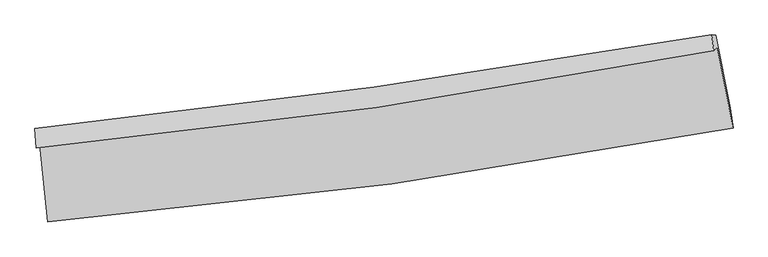
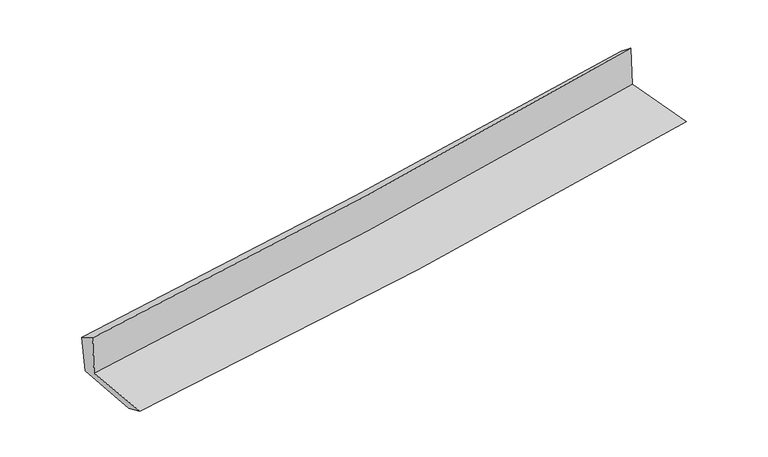
"""IFC4 building model written with IfcOpenShell, lengths in millimetres: proxy geometry."""

from ifc_helpers import new_model, si_unit, frame, origin, place, context, project, spatial, source, transform, mapped, element, save
from ifc_brep_helpers import plane_surface, spline_curve, spline_surface, advanced_brep


def generic_models_885a3708(model_context):
    return source(origin(), model_context, "Body", "AdvancedBrep", [
        advanced_brep(
        [(-3034.3144803, -1895.0423044, 1619.2518227), (-2961.5580744, -2580.7820596, 1597.3809577), (3118.5197434, -1745.0034072, 2100.6574717), (2979.4960055, -1030.023377, 2121.906967), (-3066.5755342, -1925.2493446, 2031.3241243), (2946.9468465, -1057.5082405, 2542.6453514), (-3076.5277838, -1751.6891533, 1938.3075201), (2930.4713964, -918.5887671, 2429.5565367), (-3043.9453573, -1753.9271595, 1561.5477015), (2964.681335, -920.5816754, 2053.2309819), (-2973.6507247, -2403.2573381, 1524.5191472), (3092.372014, -1571.1360385, 2020.6117246)],
        [
            (0, 1),
            (1, 2, spline_curve(3, [(-2961.5580744, -2580.7820596, 1597.3809577), (-1942.005673392, -2493.969852278, 1690.640843871), (-925.462153315, -2380.897596738, 1779.217462314), (1101.228202922, -2102.28508111, 1946.972799474), (2111.377289213, -1936.764452162, 2026.155018873), (3118.5197434, -1745.0034072, 2100.6574717)], [4, 2, 4], [0.0, 10.056591183810468, 20.10942260514983])),
            (2, 3),
            (3, 0, spline_curve(3, [(2979.4960055, -1030.023377, 2121.906967), (1983.356247298, -1220.090593254, 2048.945388381), (984.229750577, -1387.199928105, 1970.58551134), (-1020.371510277, -1675.556745989, 1803.037835473), (-2025.848508991, -1796.787053951, 1713.845997611), (-3034.3144803, -1895.0423044, 1619.2518227)], [4, 2, 4], [0.0, 10.052831421339363, 20.10942260514983])),
            (4, 0),
            (3, 5),
            (5, 4, spline_curve(3, [(2946.9468465, -1057.5082405, 2542.6453514), (1951.556995575, -1251.391155505, 2466.270200056), (952.82952238, -1420.635459527, 2385.481313886), (-1051.675440676, -1709.900927053, 2215.044207104), (-2057.455427842, -1829.903658201, 2125.392684107), (-3066.5755342, -1925.2493446, 2031.3241243)], [4, 2, 4], [0.0, 10.003001921952722, 20.00974497012633])),
            (6, 4),
            (5, 7),
            (7, 6, spline_curve(3, [(2930.4713964, -918.5887671, 2429.5565367), (1933.464125807, -1088.917093791, 2353.258599731), (934.471188469, -1243.496254247, 2274.180386997), (-1067.860386218, -1521.208165819, 2110.4327945), (-2071.20050872, -1644.329133832, 2025.761335398), (-3076.5277838, -1751.6891533, 1938.3075201)], [4, 2, 4], [0.0, 9.992043207206462, 19.987823442070663])),
            (8, 6),
            (7, 9),
            (9, 8, spline_curve(3, [(2964.681335, -920.5816754, 2053.2309819), (1967.701591303, -1090.984422093, 1973.366732921), (968.586844434, -1245.621216832, 1892.468855604), (-1034.287122191, -1523.414839911, 1728.575201984), (-2038.047939692, -1646.559873374, 1645.578652514), (-3043.9453573, -1753.9271595, 1561.5477015)], [4, 2, 4], [0.0, 9.981863743442705, 19.967460707420138])),
            (10, 8),
            (9, 11),
            (11, 10, spline_curve(3, [(3092.372014, -1571.1360385, 2020.6117246), (2088.317737682, -1761.697318061, 1938.882466162), (1080.883847981, -1926.313286456, 1856.684606037), (-941.121203185, -2203.706463618, 1691.320763877), (-1955.694892821, -2316.46426174, 1608.154431981), (-2973.6507247, -2403.2573381, 1524.5191472)], [4, 2, 4], [0.0, 10.030946083503014, 20.06564374435312])),
            (1, 10),
            (11, 2),
        ],
        [
            spline_surface(3, 3, [[(-3034.3144803, -1895.0423044, 1619.2518227), (-2025.848508858, -1796.787054053, 1713.845997532), (-1020.371510231, -1675.556746141, 1803.037835373), (984.22975053, -1387.199927953, 1970.58551144), (1983.35624718, -1220.090593396, 2048.945388392), (2979.4960055, -1030.023377, 2121.906967)], [(-3010.062345002, -2123.622222793, 1611.961534365), (-1997.900897016, -2029.181320066, 1706.110946346), (-988.735057977, -1910.670362996, 1795.097711065), (1023.229234709, -1625.561645654, 1962.714607405), (2026.029927834, -1458.9818797, 2041.348598564), (3025.837251456, -1268.350053728, 2114.82380192)], [(-2985.810209698, -2352.202141207, 1604.671246035), (-1969.953285168, -2261.575586101, 1698.375895165), (-957.098605718, -2145.783979894, 1787.157586759), (1062.228718893, -1863.923363398, 1954.843703371), (2068.703608518, -1697.87316602, 2033.751808675), (3072.178497444, -1506.676730472, 2107.74063678)], [(-2961.5580744, -2580.7820596, 1597.3809577), (-1942.005673326, -2493.969852114, 1690.640843979), (-925.462153465, -2380.897596749, 1779.217462451), (1101.228203071, -2102.285081099, 1946.972799337), (2111.377289172, -1936.764452324, 2026.155018847), (3118.5197434, -1745.0034072, 2100.6574717)]], [4, 4], [4, 2, 4], [0.0, 2.357159032949302], [0.0, 10.056591183810468, 20.10942260514983]),
            spline_surface(3, 3, [[(-3066.5755342, -1925.2493446, 2031.3241243), (-2057.455427914, -1829.903658125, 2125.392683995), (-1051.675440751, -1709.900927213, 2215.044207031), (952.829522455, -1420.635459366, 2385.481313959), (1951.556995559, -1251.391155583, 2466.270199979), (2946.9468465, -1057.5082405, 2542.6453514)], [(-3055.82184956, -1915.180331209, 1893.96669042), (-2046.919788222, -1818.864790111, 1988.210455161), (-1041.240797237, -1698.452866849, 2077.708749796), (963.296265154, -1409.490282221, 2247.182713104), (1962.156746117, -1240.957634867, 2327.161929435), (2957.796566184, -1048.346619346, 2402.399223252)], [(-3045.06816494, -1905.111317791, 1756.60925658), (-2036.38414855, -1807.825922068, 1851.028226366), (-1030.806153745, -1687.004806506, 1940.373292608), (973.763007831, -1398.345105098, 2108.884112296), (1972.756496622, -1230.524114112, 2188.053658936), (2968.646285816, -1039.184998154, 2262.153095148)], [(-3034.3144803, -1895.0423044, 1619.2518227), (-2025.848508858, -1796.787054053, 1713.845997532), (-1020.371510231, -1675.556746141, 1803.037835373), (984.22975053, -1387.199927953, 1970.58551144), (1983.35624718, -1220.090593396, 2048.945388392), (2979.4960055, -1030.023377, 2121.906967)]], [4, 4], [4, 2, 4], [0.0, 1.364895801904862], [0.0, 10.00674304817361, 20.00974497012633]),
            spline_surface(3, 3, [[(-3076.5277838, -1751.6891533, 1938.3075201), (-2071.200508787, -1644.329133896, 2025.761335263), (-1067.860386129, -1521.208165685, 2110.432794653), (934.471188381, -1243.496254382, 2274.180386843), (1933.464125788, -1088.917093818, 2353.258599599), (2930.4713964, -918.5887671, 2429.5565367)], [(-3073.210367256, -1809.542550402, 1969.313054862), (-2066.618815151, -1706.187308641, 2058.971784869), (-1062.465404361, -1584.105752863, 2145.303265469), (940.590633047, -1302.542656045, 2311.280695904), (1939.495082372, -1143.075114385, 2390.929133049), (2935.963213094, -964.895258212, 2467.252808257)], [(-3069.892950744, -1867.395947498, 2000.318589538), (-2062.037121549, -1768.04548338, 2092.182234389), (-1057.070422519, -1647.003340035, 2180.173736216), (946.710077788, -1361.589057703, 2348.381004898), (1945.526038975, -1197.233135016, 2428.599666529), (2941.455029806, -1011.201749388, 2504.949079843)], [(-3066.5755342, -1925.2493446, 2031.3241243), (-2057.455427914, -1829.903658125, 2125.392683995), (-1051.675440751, -1709.900927213, 2215.044207031), (952.829522455, -1420.635459366, 2385.481313959), (1951.556995559, -1251.391155583, 2466.270199979), (2946.9468465, -1057.5082405, 2542.6453514)]], [4, 4], [4, 2, 4], [0.0, 0.699146957395984], [0.0, 9.9957802348642, 19.987823442070663]),
            spline_surface(3, 3, [[(-3043.9453573, -1753.9271595, 1561.5477015), (-2038.047939731, -1646.559873325, 1645.578652537), (-1034.287122285, -1523.414839958, 1728.575202035), (968.586844529, -1245.621216785, 1892.468855553), (1967.701591191, -1090.984422101, 1973.36673282), (2964.681335, -920.5816754, 2053.2309819)], [(-3054.806166133, -1753.181157433, 1687.134307692), (-2049.098796083, -1645.816293516, 1772.306213437), (-1045.478210206, -1522.679281873, 1855.861066237), (957.214959173, -1244.91289599, 2019.706032646), (1956.289102727, -1090.295312686, 2099.997355081), (2953.278022137, -919.917372645, 2178.672833501)], [(-3065.666974967, -1752.435155367, 1812.720913908), (-2060.149652435, -1645.072713706, 1899.033774362), (-1056.669298208, -1521.94372377, 1983.146930451), (945.843073736, -1244.204575178, 2146.943209751), (1944.876614252, -1089.606203234, 2226.627977338), (2941.874709263, -919.253069855, 2304.114685099)], [(-3076.5277838, -1751.6891533, 1938.3075201), (-2071.200508787, -1644.329133896, 2025.761335263), (-1067.860386129, -1521.208165685, 2110.432794653), (934.471188381, -1243.496254382, 2274.180386843), (1933.464125788, -1088.917093818, 2353.258599599), (2930.4713964, -918.5887671, 2429.5565367)]], [4, 4], [4, 2, 4], [0.0, 1.2575061890829915], [0.0, 9.985596963977432, 19.967460707420138]),
            spline_surface(3, 3, [[(-2973.6507247, -2403.2573381, 1524.5191472), (-1955.694892973, -2316.464261857, 1608.154431876), (-941.121203171, -2203.706463667, 1691.320764015), (1080.883847967, -1926.313286407, 1856.684605899), (2088.317737737, -1761.697318037, 1938.882466233), (3092.372014, -1571.1360385, 2020.6117246)], [(-2997.082268916, -2186.81394522, 1536.861998617), (-1983.145908574, -2093.162799, 1620.62917208), (-972.176509564, -1976.94258909, 1703.738910009), (1043.451513467, -1699.415929859, 1868.612689104), (2048.112355537, -1538.126352707, 1950.377221766), (3049.808454316, -1354.284584116, 2031.484810371)], [(-3020.513813084, -1970.37055238, 1549.204850083), (-2010.596924129, -1869.861336182, 1633.103912333), (-1003.231815893, -1750.178714536, 1716.157056041), (1006.019179029, -1472.518573334, 1880.540772348), (2007.90697339, -1314.555387431, 1961.871977287), (3007.244894684, -1137.433129784, 2042.357896129)], [(-3043.9453573, -1753.9271595, 1561.5477015), (-2038.047939731, -1646.559873325, 1645.578652537), (-1034.287122285, -1523.414839958, 1728.575202035), (968.586844529, -1245.621216785, 1892.468855553), (1967.701591191, -1090.984422101, 1973.36673282), (2964.681335, -920.5816754, 2053.2309819)]], [4, 4], [4, 2, 4], [0.0, 2.2610575299677858], [0.0, 10.034697660850107, 20.06564374435312]),
            spline_surface(3, 3, [[(-2961.5580744, -2580.7820596, 1597.3809577), (-1942.005673326, -2493.969852114, 1690.640843979), (-925.462153465, -2380.897596749, 1779.217462451), (1101.228203071, -2102.285081099, 1946.972799337), (2111.377289172, -1936.764452324, 2026.155018847), (3118.5197434, -1745.0034072, 2100.6574717)], [(-2965.588957833, -2521.607152443, 1573.093687544), (-1946.568746541, -2434.801322038, 1663.145373289), (-930.681836687, -2321.833885744, 1749.918562983), (1094.446751383, -2043.627816223, 1916.876734868), (2103.690772039, -1878.408740915, 1997.064167974), (3109.803833612, -1687.047617653, 2073.975555999)], [(-2969.619841267, -2462.432245257, 1548.806417356), (-1951.131819757, -2375.632791933, 1635.649902567), (-935.901519949, -2262.770174673, 1720.619663484), (1087.665299655, -1984.970551283, 1886.780670368), (2096.00425487, -1820.053029446, 1967.973317105), (3101.087923788, -1629.091828047, 2047.293640301)], [(-2973.6507247, -2403.2573381, 1524.5191472), (-1955.694892973, -2316.464261857, 1608.154431876), (-941.121203171, -2203.706463667, 1691.320764015), (1080.883847967, -1926.313286407, 1856.684605899), (2088.317737737, -1761.697318037, 1938.882466233), (3092.372014, -1571.1360385, 2020.6117246)]], [4, 4], [4, 2, 4], [0.0, 0.6515793278001738], [0.0, 10.095049335141223, 20.18632452982665]),
            plane_surface(frame((3005.4145568, -1207.140251, 2211.4348389), z_axis=(0.9782989628777684, 0.1876110040054916, 0.0879389015642927), x_axis=(-0.09053061435068083, 0.005273882881856825, 0.9958797086117565))),
            plane_surface(frame((-3026.0953258, -2051.6578932, 1712.0552122), z_axis=(-0.9910922113785637, -0.1024398211024558, -0.08510177199826896), x_axis=(-0.10545394111068734, 0.9939188016549728, 0.03169987414748746))),
        ],
        [
            (0, [[1, 2, 3, 4]]),
            (1, [[5, -4, 6, 7]]),
            (2, [[8, -7, 9, 10]]),
            (3, [[11, -10, 12, 13]]),
            (4, [[14, -13, 15, 16]]),
            (5, [[17, -16, 18, -2]]),
            (6, [[-12, -9, -6, -3, -18, -15]]),
            (7, [[-1, -5, -8, -11, -14, -17]]),
        ],
    ),
    ])


if __name__ == "__main__":
    model = new_model("IFC4")
    model_context = context("Model", 3, world=origin())
    ifc_project = project(units=[si_unit("LENGTHUNIT", "METRE", prefix="MILLI")], contexts=[model_context])
    site = spatial("IfcSite", under=ifc_project)
    building = spatial("IfcBuilding", under=site)
    placement = place(None, origin())
    generic_models_shape = generic_models_885a3708(model_context)
    element("IfcBuildingElementProxy", 1, Name="Generic Models", at=placement, inside=building, context=model_context, shape_type="MappedRepresentation", body=[
        mapped(generic_models_shape, transform((0.0, 0.0, 0.0), x_axis=(1.0, 0.0, 0.0), y_axis=(0.0, 1.0, 0.0), z_axis=(0.0, 0.0, 1.0))),
    ])
    save(model, "model.ifc")
